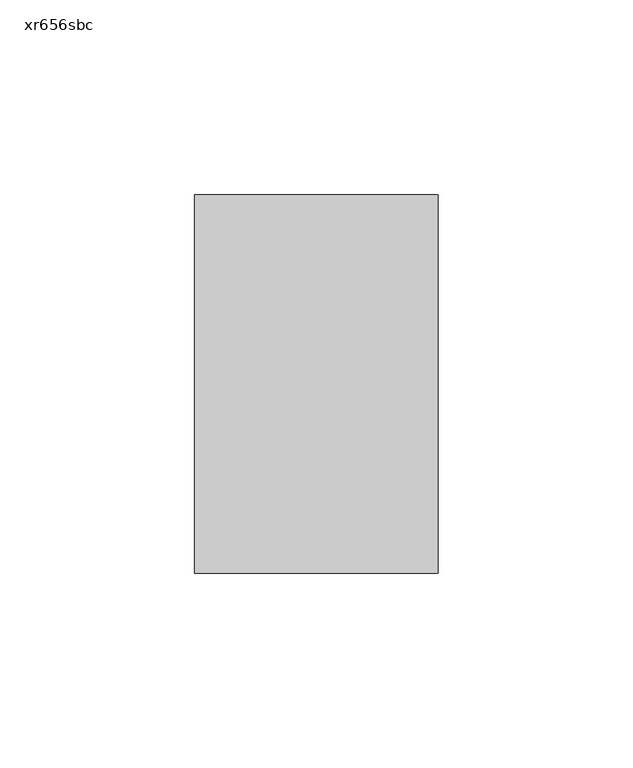
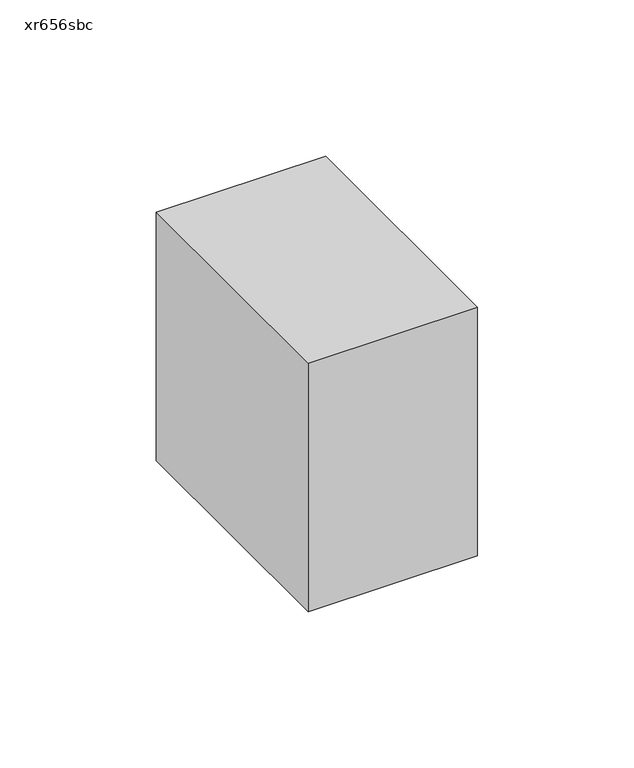
"""IFC4 building model written with IfcOpenShell, lengths in millimetres: proxy geometry, xr656sbc."""

from ifc_helpers import new_model, si_unit, frame, origin, place, context, project, spatial, polyline, outline, extrude, source, transform, mapped, element, save


def xr656sbc_828d1e49(model_context):
    return source(origin(), model_context, "Body", "SweptSolid", [
        extrude(outline(polyline([(31.242, 0.0), (31.242, -97.028), (-31.242, -97.028), (-31.242, 0.0), (31.242, 0.0)])), frame((0.0, 0.0, 2542.2820312), z_axis=(0.0, 0.0, 1.0), x_axis=(1.0, 0.0, 0.0)), (0.0, 0.0, 1.0), 97.0359375),
    ])


if __name__ == "__main__":
    model = new_model("IFC4")
    model_context = context("Model", 3, world=origin())
    ifc_project = project(units=[si_unit("LENGTHUNIT", "METRE", prefix="MILLI")], contexts=[model_context])
    site = spatial("IfcSite", under=ifc_project)
    building = spatial("IfcBuilding", under=site)
    placement = place(None, origin())
    xr656sbc_shape = xr656sbc_828d1e49(model_context)
    element("IfcBuildingElementProxy", 1, Name="xr656sbc", ObjectType="xr656sbc", at=placement, inside=building, context=model_context, shape_type="MappedRepresentation", body=[
        mapped(xr656sbc_shape, transform((0.0, 0.0, 0.0), x_axis=(1.0, 0.0, 0.0), y_axis=(0.0, 1.0, 0.0), z_axis=(0.0, 0.0, 1.0))),
    ])
    save(model, "model.ifc")
